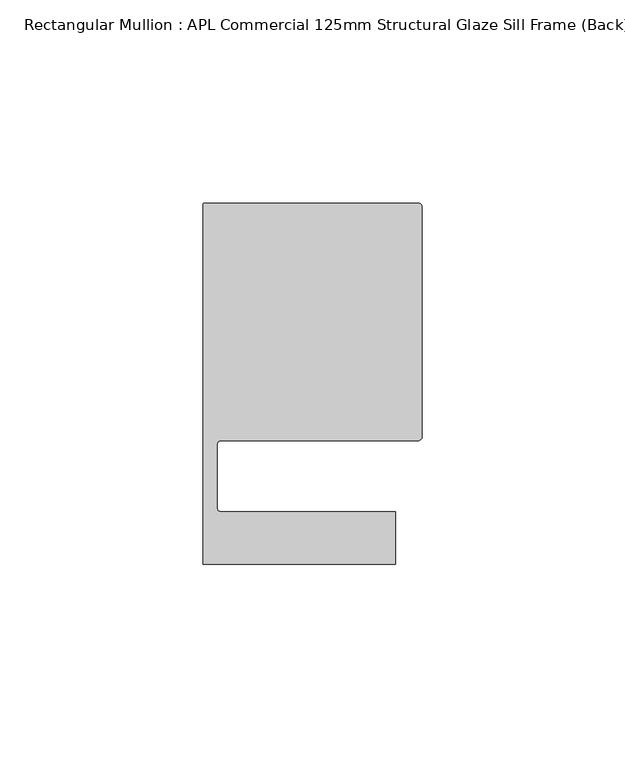
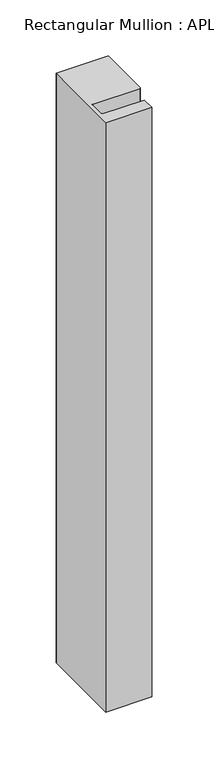
"""IFC4 building model written with IfcOpenShell, lengths in millimetres: member geometry, Rectangular Mullion : APL Commercial 125mm Structural Glaze Sill Frame (Back)."""

from ifc_helpers import new_model, si_unit, frame, origin, place, context, project, spatial, polyline, circle_curve, source, transform, mapped, element, save
from ifc_brep_helpers import plane_surface, cylinder_surface, revolved_surface, advanced_brep


def rectangular_mullion_apl_commercial_125mm_structural_glaze_e1ace244(model_context):
    return source(origin(), model_context, "Body", "AdvancedBrep", [
        advanced_brep(
        [(-53.5000029, 104.0, 0.0), (-54.0000029, 103.5, 0.0), (-54.0000029, 15.0004332, 0.0), (-6.5000029, 15.0004332, 0.0), (-6.5000029, 28.0004332, 0.0), (-49.5000029, 28.0004332, 0.0), (-50.5000029, 29.0004332, 0.0), (-50.5000029, 44.5010268, 0.0), (-49.5000004, 45.5010268, 0.0), (-1.0, 45.5010268, 0.0), (0.0, 46.5010268, 0.0), (0.0, 103.0, 0.0), (-1.0000025, 104.0, 0.0), (-53.5000029, 104.0, -644.0249631), (-1.0000025, 104.0, -644.0249631), (-2.5e-06, 103.0, -644.0249631), (0.0, 46.5010268, -644.0249631), (-1.0, 45.5010268, -644.0249631), (-49.5000004, 45.5010268, -644.0249631), (-50.5000004, 44.5010268, -644.0249631), (-50.5000029, 29.0004332, -644.0249631), (-49.5000029, 28.0004332, -644.0249631), (-6.5000029, 28.0004332, -644.0249631), (-6.5000029, 15.0004332, -644.0249631), (-54.0000029, 15.0004332, -644.0249631), (-54.0000029, 103.5, -644.0249631)],
        [
            (0, 1, circle_curve(frame((-53.5000029, 103.5, 0.0), z_axis=(0.0, 0.0, 1.0), x_axis=(0.0, 1.0, 0.0)), 0.5)),
            (1, 2),
            (2, 3),
            (3, 4),
            (4, 5),
            (5, 6, circle_curve(frame((-49.5000029, 29.0004332, 0.0), z_axis=(0.0, 0.0, -1.0), x_axis=(0.0, -1.0, 0.0)), 1.0)),
            (6, 7),
            (7, 8, circle_curve(frame((-49.5000004, 44.5010268, 0.0), z_axis=(0.0, 0.0, -1.0), x_axis=(-0.9999999999998819, 4.863123717036027e-07, 0.0)), 1.0)),
            (8, 9),
            (9, 10, circle_curve(frame((-1.0, 46.5010268, 0.0), z_axis=(0.0, 0.0, 1.0), x_axis=(0.0, -1.0, 0.0)), 1.0)),
            (10, 11),
            (11, 12, circle_curve(frame((-1.0000025, 103.0, 0.0), z_axis=(0.0, 0.0, 1.0), x_axis=(0.9999999999996143, 8.78371761103865e-07, 0.0)), 1.0)),
            (12, 0),
            (13, 14),
            (14, 15, circle_curve(frame((-1.0000025, 103.0, -644.0249631), z_axis=(0.0, 0.0, -1.0), x_axis=(0.9999999999996143, 8.78371761103865e-07, 0.0)), 1.0)),
            (15, 16),
            (16, 17, circle_curve(frame((-1.0, 46.5010268, -644.0249631), z_axis=(0.0, 0.0, -1.0), x_axis=(0.0, -1.0, 0.0)), 1.0)),
            (17, 18),
            (18, 19, circle_curve(frame((-49.5000004, 44.5010268, -644.0249631), z_axis=(0.0, 0.0, 1.0), x_axis=(-0.9999999999998819, 4.863123717036027e-07, 0.0)), 1.0)),
            (19, 20),
            (20, 21, circle_curve(frame((-49.5000029, 29.0004332, -644.0249631), z_axis=(0.0, 0.0, 1.0), x_axis=(0.0, -1.0, 0.0)), 1.0)),
            (21, 22),
            (22, 23),
            (23, 24),
            (24, 25),
            (25, 13, circle_curve(frame((-53.5000029, 103.5, -644.0249631), z_axis=(0.0, 0.0, -1.0), x_axis=(0.0, 1.0, 0.0)), 0.5)),
            (0, 13),
            (25, 1),
            (24, 2),
            (23, 3),
            (22, 4),
            (21, 5),
            (20, 6),
            (19, 7),
            (18, 8),
            (17, 9),
            (16, 10),
            (15, 11),
            (14, 12),
        ],
        [
            plane_surface(frame((0.0, -116.986179, 0.0), z_axis=(0.0, 0.0, 1.0), x_axis=(-1.0, 0.0, 0.0))),
            plane_surface(frame((0.0, -116.986179, -644.0249631), z_axis=(0.0, 0.0, -1.0), x_axis=(-1.0, 0.0, 0.0))),
            cylinder_surface(frame((-53.5000029, 103.5, 0.0), z_axis=(0.0, 0.0, 1.0), x_axis=(0.0, 1.0, 0.0)), 0.5),
            plane_surface(frame((-54.0000029, 103.5, 0.0), z_axis=(-1.0, 0.0, 0.0), x_axis=(0.0, 0.0, -1.0))),
            plane_surface(frame((-54.0000029, 15.0004332, 0.0), z_axis=(0.0, -1.0, 0.0), x_axis=(0.0, 0.0, -1.0))),
            plane_surface(frame((-6.5000029, 15.0004332, 0.0), z_axis=(1.0, 0.0, 0.0), x_axis=(0.0, 0.0, -1.0))),
            plane_surface(frame((-6.5000029, 28.0004332, 0.0), z_axis=(0.0, 1.0, 0.0), x_axis=(0.0, 0.0, -1.0))),
            revolved_surface(polyline([(-49.5000029, 28.0004332, -644.0249631), (-49.5000029, 28.0004332, 0.0)]), (-49.5000029, 29.0004332, 0.0), (0.0, 0.0, -1.0)),
            plane_surface(frame((-50.5000029, 29.0004332, 0.0), z_axis=(1.0, 0.0, 0.0), x_axis=(0.0, 0.0, -1.0))),
            revolved_surface(polyline([(-50.50000039999988, 44.50102728631237, -644.0249631000003), (-50.50000039999988, 44.50102728631237, 0.0)]), (-49.5000004, 44.5010268, 0.0), (0.0, 0.0, -1.0000000000000002)),
            plane_surface(frame((-49.5000004, 45.5010268, 0.0), z_axis=(0.0, -1.0, 0.0), x_axis=(0.0, 0.0, -1.0))),
            cylinder_surface(frame((-1.0, 46.5010268, 0.0), z_axis=(0.0, 0.0, 1.0), x_axis=(0.0, -1.0, 0.0)), 1.0),
            plane_surface(frame((0.0, 46.5010268, 0.0), z_axis=(1.0, 0.0, 0.0), x_axis=(0.0, 0.0, -1.0))),
            cylinder_surface(frame((-1.0000025, 103.0, 0.0), z_axis=(0.0, 0.0, 1.0000000000000002), x_axis=(0.9999999999996143, 8.78371761103865e-07, 0.0)), 1.0),
            plane_surface(frame((-1.0000025, 104.0, 0.0), z_axis=(0.0, 1.0, 0.0), x_axis=(0.0, 0.0, -1.0))),
        ],
        [
            (0, [[1, 2, 3, 4, 5, 6, 7, 8, 9, 10, 11, 12, 13]]),
            (1, [[14, 15, 16, 17, 18, 19, 20, 21, 22, 23, 24, 25, 26]]),
            (2, [[-1, 27, -26, 28]]),
            (3, [[-2, -28, -25, 29]]),
            (4, [[-3, -29, -24, 30]]),
            (5, [[-4, -30, -23, 31]]),
            (6, [[-5, -31, -22, 32]]),
            (7, [[-6, -32, -21, 33]]),
            (8, [[-7, -33, -20, 34]]),
            (9, [[-8, -34, -19, 35]]),
            (10, [[-9, -35, -18, 36]]),
            (11, [[-10, -36, -17, 37]]),
            (12, [[-11, -37, -16, 38]]),
            (13, [[-12, -38, -15, 39]]),
            (14, [[-13, -39, -14, -27]]),
        ],
    ),
    ])


if __name__ == "__main__":
    model = new_model("IFC4")
    model_context = context("Model", 3, world=origin())
    ifc_project = project(units=[si_unit("LENGTHUNIT", "METRE", prefix="MILLI")], contexts=[model_context])
    site = spatial("IfcSite", under=ifc_project)
    building = spatial("IfcBuilding", under=site)
    placement = place(None, origin())
    rectangular_mullion_apl_commercial_125mm_structural_glaze_shape = rectangular_mullion_apl_commercial_125mm_structural_glaze_e1ace244(model_context)
    element("IfcMember", 1, ObjectType="Rectangular Mullion : APL Commercial 125mm Structural Glaze Sill Frame (Back)", at=placement, inside=building, context=model_context, shape_type="MappedRepresentation", body=[
        mapped(rectangular_mullion_apl_commercial_125mm_structural_glaze_shape, transform((0.0, 0.0, 0.0), x_axis=(1.0, 0.0, 0.0), y_axis=(0.0, 1.0, 0.0), z_axis=(0.0, 0.0, 1.0))),
    ])
    save(model, "model.ifc")
